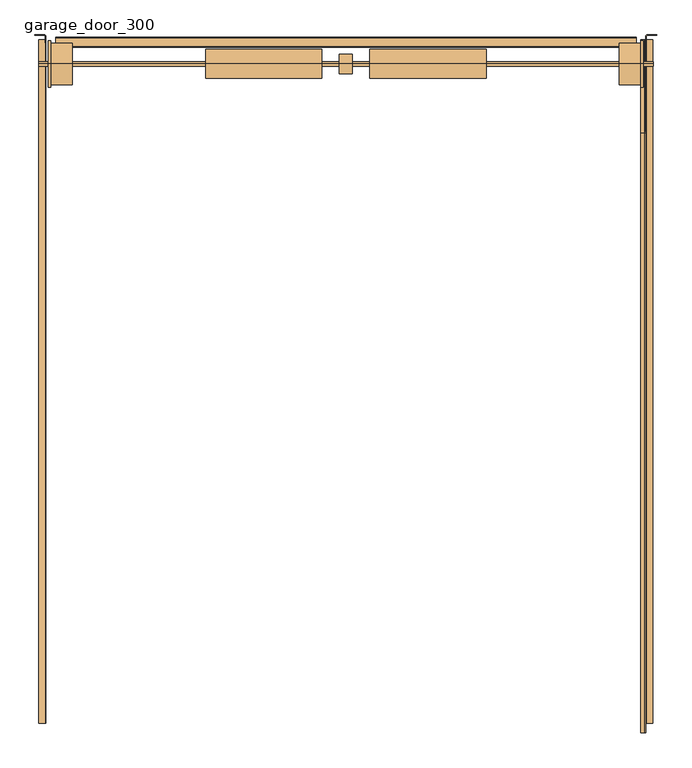
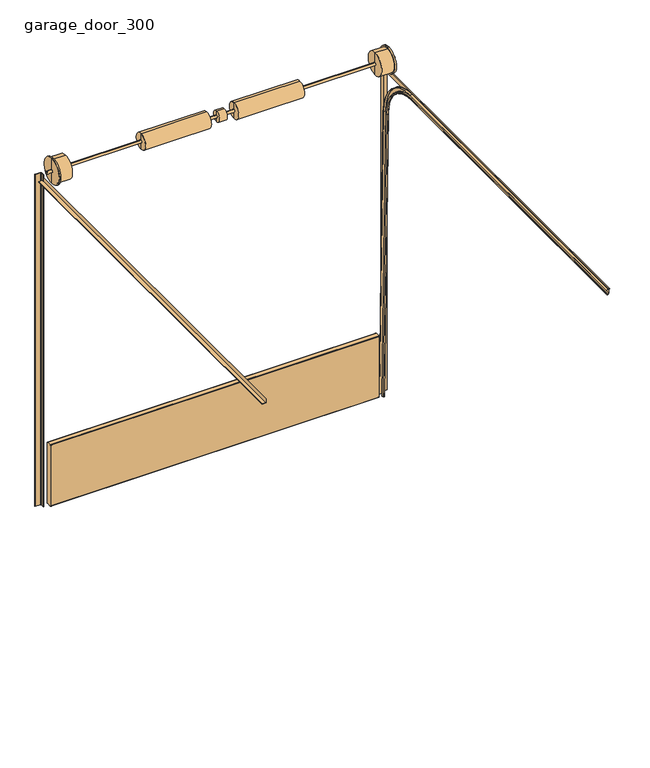
"""IFC4 building model written with IfcOpenShell, lengths in millimetres: door geometry, garage_door_300."""

from ifc_helpers import new_model, si_unit, point, frame, frame_2d, origin, origin_with_axes, place, context, project, spatial, polyline, circle_curve, ellipse_curve, trimmed, segment, composite_curve, outline, extrude, source, transform, mapped, element, save
from ifc_brep_helpers import plane_surface, cylinder_surface, revolved_surface, advanced_brep


def garage_door_300_ee631df7(model_context):
    return source(origin(), model_context, "Body", "SolidModel", [
        extrude(outline(composite_curve([segment(polyline([(-305.3393461, 600.0), (-260.8564999, 600.0)]), True, "CONTINUOUS"), segment(trimmed(circle_curve(frame_2d((-260.8564999, 596.8435001)), 3.1564999), [point((-260.8564999, 600.0))], [point((-257.7, 596.8435001))], False, "CARTESIAN"), True, "CONTINUOUS"), segment(polyline([(-257.7, 596.8435001), (-257.7, 520.0326682), (-258.4701339, 518.8467659)]), True, "CONTINUOUS"), segment(trimmed(circle_curve(frame_2d((-257.192, 518.016736)), 1.524), [point((-258.4701339, 518.8467659))], [point((-258.716, 518.016736))], True, "CARTESIAN"), True, "CONTINUOUS"), segment(polyline([(-258.716, 518.016736), (-258.716, 515.583264)]), True, "CONTINUOUS"), segment(trimmed(circle_curve(frame_2d((-257.192, 515.583264)), 1.524), [point((-258.716, 515.583264))], [point((-258.4701339, 514.7532341))], True, "CARTESIAN"), True, "CONTINUOUS"), segment(polyline([(-258.4701339, 514.7532341), (-257.7, 513.5673318), (-257.7, 381.6326682), (-258.4701339, 380.4467659)]), True, "CONTINUOUS"), segment(trimmed(circle_curve(frame_2d((-257.192, 379.616736)), 1.524), [point((-258.4701339, 380.4467659))], [point((-258.716, 379.616736))], True, "CARTESIAN"), True, "CONTINUOUS"), segment(polyline([(-258.716, 379.616736), (-258.716, 377.183264)]), True, "CONTINUOUS"), segment(trimmed(circle_curve(frame_2d((-257.192, 377.183264)), 1.524), [point((-258.716, 377.183264))], [point((-258.4701339, 376.3532341))], True, "CARTESIAN"), True, "CONTINUOUS"), segment(polyline([(-258.4701339, 376.3532341), (-257.7, 375.1673318), (-257.7, 243.2326682), (-258.4701339, 242.0467659)]), True, "CONTINUOUS"), segment(trimmed(circle_curve(frame_2d((-257.192, 241.216736)), 1.524), [point((-258.4701339, 242.0467659))], [point((-258.716, 241.216736))], True, "CARTESIAN"), True, "CONTINUOUS"), segment(polyline([(-258.716, 241.216736), (-258.716, 238.783264)]), True, "CONTINUOUS"), segment(trimmed(circle_curve(frame_2d((-257.192, 238.783264)), 1.524), [point((-258.716, 238.783264))], [point((-258.4701339, 237.9532341))], True, "CARTESIAN"), True, "CONTINUOUS"), segment(polyline([(-258.4701339, 237.9532341), (-257.7, 236.7673318), (-257.7, 104.8326682), (-258.4701339, 103.6467659)]), True, "CONTINUOUS"), segment(trimmed(circle_curve(frame_2d((-257.192, 102.816736)), 1.524), [point((-258.4701339, 103.6467659))], [point((-258.716, 102.816736))], True, "CARTESIAN"), True, "CONTINUOUS"), segment(polyline([(-258.716, 102.816736), (-258.716, 100.383264)]), True, "CONTINUOUS"), segment(trimmed(circle_curve(frame_2d((-257.192, 100.383264)), 1.524), [point((-258.716, 100.383264))], [point((-258.4701339, 99.5532341))], True, "CARTESIAN"), True, "CONTINUOUS"), segment(polyline([(-258.4701339, 99.5532341), (-257.7, 98.3673318), (-257.7, 3.1564999)]), True, "CONTINUOUS"), segment(trimmed(circle_curve(frame_2d((-260.8564999, 3.1564999)), 3.1564999), [point((-257.7, 3.1564999))], [point((-260.8564999, 0.0))], False, "CARTESIAN"), True, "CONTINUOUS"), segment(polyline([(-260.8564999, 0.0), (-305.3393461, 0.0)]), True, "CONTINUOUS"), segment(trimmed(circle_curve(frame_2d((-305.3393461, 3.1606539)), 3.1606539), [point((-305.3393461, 0.0))], [point((-308.5, 3.1606539))], False, "CARTESIAN"), True, "CONTINUOUS"), segment(polyline([(-308.5, 3.1606539), (-308.5, 596.8393461)]), True, "CONTINUOUS"), segment(trimmed(circle_curve(frame_2d((-305.3393461, 596.8393461)), 3.1606539), [point((-308.5, 596.8393461))], [point((-305.3393461, 600.0))], False, "CARTESIAN"), True, "CONTINUOUS")], self_intersect=False)), frame((-1525.4, 0.0, 0.0), z_axis=(1.0, 0.0, 0.0), x_axis=(0.0, 1.0, 0.0)), (0.0, 0.0, 1.0), 3050.8),
        advanced_brep(
        [(-35.19874, -397.4, 3304.8), (-35.19874, -397.4, 3406.4), (-35.19874, -397.4, 3368.3), (-35.19874, -397.4, 3342.9), (34.65126, -397.4, 3304.8), (34.65126, -397.4, 3406.4), (34.65126, -397.4, 3342.9), (34.65126, -397.4, 3368.3), (127.0, -397.4, 3342.9), (127.0, -397.4, 3368.3), (127.0, -397.4, 3279.4), (127.0, -397.4, 3431.8), (736.6, -397.4, 3279.4), (736.6, -397.4, 3431.8), (736.6, -397.4, 3342.9), (736.6, -397.4, 3368.3), (1436.5, -397.4, 3342.9), (1436.5, -397.4, 3368.3), (1436.5, -397.4, 3246.2271079), (1436.5, -397.4, 3464.9728921), (1563.5, -397.4, 3342.9), (1563.5, -397.4, 3368.3), (1563.5, -397.4, 3477.6728921), (1563.5, -397.4, 3233.5271079), (-1563.5, -397.4, 3233.5271079), (-1563.5, -397.4, 3477.6728921), (-1563.5, -397.4, 3368.3), (-1563.5, -397.4, 3342.9), (-1436.5, -397.4, 3246.2271079), (-1436.5, -397.4, 3464.9728921), (-1550.8, -397.4, 3464.9728921), (-1550.8, -397.4, 3246.2271079), (-1436.5, -397.4, 3342.9), (-1436.5, -397.4, 3368.3), (-736.6, -397.4, 3342.9), (-736.6, -397.4, 3368.3), (-736.6, -397.4, 3279.4), (-736.6, -397.4, 3431.8), (-127.0, -397.4, 3279.4), (-127.0, -397.4, 3431.8), (-127.0, -397.4, 3342.9), (-127.0, -397.4, 3368.3), (1550.8, -397.4, 3246.2271079), (1550.8, -397.4, 3464.9728921), (1550.8, -397.4, 3477.6728921), (1550.8, -397.4, 3233.5271079), (-1550.8, -397.4, 3233.5271079), (-1550.8, -397.4, 3477.6728921), (1614.3, -397.4, 3342.9), (1614.3, -397.4, 3368.3), (1614.3, -397.4, 3355.6), (-1614.3, -397.4, 3342.9), (-1614.3, -397.4, 3368.3), (-1614.3, -397.4, 3355.6)],
        [
            (0, 1, circle_curve(frame((-35.19874, -397.4, 3355.6), z_axis=(-1.0, 0.0, 0.0), x_axis=(0.0, 0.0, 1.0)), 50.8)),
            (1, 2),
            (2, 3, circle_curve(frame((-35.19874, -397.4, 3355.6), z_axis=(1.0, 0.0, 0.0), x_axis=(0.0, 0.0, 1.0)), 12.7)),
            (3, 0),
            (1, 0, circle_curve(frame((-35.19874, -397.4, 3355.6), z_axis=(-1.0, 0.0, 0.0), x_axis=(0.0, 0.0, 1.0)), 50.8)),
            (3, 2, circle_curve(frame((-35.19874, -397.4, 3355.6), z_axis=(1.0, 0.0, 0.0), x_axis=(0.0, 0.0, 1.0)), 12.7)),
            (4, 5, circle_curve(frame((34.65126, -397.4, 3355.6), z_axis=(-1.0, 0.0, 0.0), x_axis=(0.0, 0.0, 1.0)), 50.8)),
            (5, 1),
            (0, 4),
            (5, 4, circle_curve(frame((34.65126, -397.4, 3355.6), z_axis=(-1.0, 0.0, 0.0), x_axis=(0.0, 0.0, 1.0)), 50.8)),
            (6, 7, circle_curve(frame((34.65126, -397.4, 3355.6), z_axis=(-1.0, 0.0, 0.0), x_axis=(0.0, 0.0, 1.0)), 12.7)),
            (7, 5),
            (4, 6),
            (7, 6, circle_curve(frame((34.65126, -397.4, 3355.6), z_axis=(-1.0, 0.0, 0.0), x_axis=(0.0, 0.0, 1.0)), 12.7)),
            (8, 9, circle_curve(frame((127.0, -397.4, 3355.6), z_axis=(-1.0, 0.0, 0.0), x_axis=(0.0, 0.0, 1.0)), 12.7)),
            (9, 7),
            (6, 8),
            (9, 8, circle_curve(frame((127.0, -397.4, 3355.6), z_axis=(-1.0, 0.0, 0.0), x_axis=(0.0, 0.0, 1.0)), 12.7)),
            (10, 11, circle_curve(frame((127.0, -397.4, 3355.6), z_axis=(-1.0, 0.0, 0.0), x_axis=(0.0, 0.0, 1.0)), 76.2)),
            (11, 9),
            (8, 10),
            (11, 10, circle_curve(frame((127.0, -397.4, 3355.6), z_axis=(-1.0, 0.0, 0.0), x_axis=(0.0, 0.0, 1.0)), 76.2)),
            (12, 13, circle_curve(frame((736.6, -397.4, 3355.6), z_axis=(-1.0, 0.0, 0.0), x_axis=(0.0, 0.0, 1.0)), 76.2)),
            (13, 11),
            (10, 12),
            (13, 12, circle_curve(frame((736.6, -397.4, 3355.6), z_axis=(-1.0, 0.0, 0.0), x_axis=(0.0, 0.0, 1.0)), 76.2)),
            (14, 15, circle_curve(frame((736.6, -397.4, 3355.6), z_axis=(-1.0, 0.0, 0.0), x_axis=(0.0, 0.0, 1.0)), 12.7)),
            (15, 13),
            (12, 14),
            (15, 14, circle_curve(frame((736.6, -397.4, 3355.6), z_axis=(-1.0, 0.0, 0.0), x_axis=(0.0, 0.0, 1.0)), 12.7)),
            (16, 17, circle_curve(frame((1436.5, -397.4, 3355.6), z_axis=(-1.0, 0.0, 0.0), x_axis=(0.0, 0.0, 1.0)), 12.7)),
            (17, 15),
            (14, 16),
            (17, 16, circle_curve(frame((1436.5, -397.4, 3355.6), z_axis=(-1.0, 0.0, 0.0), x_axis=(0.0, 0.0, 1.0)), 12.7)),
            (18, 19, circle_curve(frame((1436.5, -397.4, 3355.6), z_axis=(-1.0, 0.0, 0.0), x_axis=(0.0, 0.0, 1.0)), 109.3728921)),
            (19, 17),
            (16, 18),
            (19, 18, circle_curve(frame((1436.5, -397.4, 3355.6), z_axis=(-1.0, 0.0, 0.0), x_axis=(0.0, 0.0, 1.0)), 109.3728921)),
            (20, 21, circle_curve(frame((1563.5, -397.4, 3355.6), z_axis=(-1.0, 0.0, 0.0), x_axis=(0.0, 0.0, 1.0)), 12.7)),
            (21, 22),
            (22, 23, circle_curve(frame((1563.5, -397.4, 3355.6), z_axis=(1.0, 0.0, 0.0), x_axis=(0.0, 0.0, 1.0)), 122.0728921)),
            (23, 20),
            (21, 20, circle_curve(frame((1563.5, -397.4, 3355.6), z_axis=(-1.0, 0.0, 0.0), x_axis=(0.0, 0.0, 1.0)), 12.7)),
            (23, 22, circle_curve(frame((1563.5, -397.4, 3355.6), z_axis=(1.0, 0.0, 0.0), x_axis=(0.0, 0.0, 1.0)), 122.0728921)),
            (24, 25, circle_curve(frame((-1563.5, -397.4, 3355.6), z_axis=(-1.0, 0.0, 0.0), x_axis=(0.0, 0.0, 1.0)), 122.0728921)),
            (25, 26),
            (26, 27, circle_curve(frame((-1563.5, -397.4, 3355.6), z_axis=(1.0, 0.0, 0.0), x_axis=(0.0, 0.0, 1.0)), 12.7)),
            (27, 24),
            (25, 24, circle_curve(frame((-1563.5, -397.4, 3355.6), z_axis=(-1.0, 0.0, 0.0), x_axis=(0.0, 0.0, 1.0)), 122.0728921)),
            (27, 26, circle_curve(frame((-1563.5, -397.4, 3355.6), z_axis=(1.0, 0.0, 0.0), x_axis=(0.0, 0.0, 1.0)), 12.7)),
            (28, 29, circle_curve(frame((-1436.5, -397.4, 3355.6), z_axis=(-1.0, 0.0, 0.0), x_axis=(0.0, 0.0, 1.0)), 109.3728921)),
            (29, 30),
            (30, 31, circle_curve(frame((-1550.8, -397.4, 3355.6), z_axis=(1.0, 0.0, 0.0), x_axis=(0.0, 0.0, 1.0)), 109.3728921)),
            (31, 28),
            (29, 28, circle_curve(frame((-1436.5, -397.4, 3355.6), z_axis=(-1.0, 0.0, 0.0), x_axis=(0.0, 0.0, 1.0)), 109.3728921)),
            (31, 30, circle_curve(frame((-1550.8, -397.4, 3355.6), z_axis=(1.0, 0.0, 0.0), x_axis=(0.0, 0.0, 1.0)), 109.3728921)),
            (32, 33, circle_curve(frame((-1436.5, -397.4, 3355.6), z_axis=(-1.0, 0.0, 0.0), x_axis=(0.0, 0.0, 1.0)), 12.7)),
            (33, 29),
            (28, 32),
            (33, 32, circle_curve(frame((-1436.5, -397.4, 3355.6), z_axis=(-1.0, 0.0, 0.0), x_axis=(0.0, 0.0, 1.0)), 12.7)),
            (34, 35, circle_curve(frame((-736.6, -397.4, 3355.6), z_axis=(-1.0, 0.0, 0.0), x_axis=(0.0, 0.0, 1.0)), 12.7)),
            (35, 33),
            (32, 34),
            (35, 34, circle_curve(frame((-736.6, -397.4, 3355.6), z_axis=(-1.0, 0.0, 0.0), x_axis=(0.0, 0.0, 1.0)), 12.7)),
            (36, 37, circle_curve(frame((-736.6, -397.4, 3355.6), z_axis=(-1.0, 0.0, 0.0), x_axis=(0.0, 0.0, 1.0)), 76.2)),
            (37, 35),
            (34, 36),
            (37, 36, circle_curve(frame((-736.6, -397.4, 3355.6), z_axis=(-1.0, 0.0, 0.0), x_axis=(0.0, 0.0, 1.0)), 76.2)),
            (38, 39, circle_curve(frame((-127.0, -397.4, 3355.6), z_axis=(-1.0, 0.0, 0.0), x_axis=(0.0, 0.0, 1.0)), 76.2)),
            (39, 37),
            (36, 38),
            (39, 38, circle_curve(frame((-127.0, -397.4, 3355.6), z_axis=(-1.0, 0.0, 0.0), x_axis=(0.0, 0.0, 1.0)), 76.2)),
            (40, 41, circle_curve(frame((-127.0, -397.4, 3355.6), z_axis=(-1.0, 0.0, 0.0), x_axis=(0.0, 0.0, 1.0)), 12.7)),
            (41, 39),
            (38, 40),
            (41, 40, circle_curve(frame((-127.0, -397.4, 3355.6), z_axis=(-1.0, 0.0, 0.0), x_axis=(0.0, 0.0, 1.0)), 12.7)),
            (2, 41),
            (40, 3),
            (42, 43, circle_curve(frame((1550.8, -397.4, 3355.6), z_axis=(-1.0, 0.0, 0.0), x_axis=(0.0, 0.0, 1.0)), 109.3728921)),
            (43, 19),
            (18, 42),
            (43, 42, circle_curve(frame((1550.8, -397.4, 3355.6), z_axis=(-1.0, 0.0, 0.0), x_axis=(0.0, 0.0, 1.0)), 109.3728921)),
            (22, 44),
            (44, 45, circle_curve(frame((1550.8, -397.4, 3355.6), z_axis=(1.0, 0.0, 0.0), x_axis=(0.0, 0.0, 1.0)), 122.0728921)),
            (45, 23),
            (45, 44, circle_curve(frame((1550.8, -397.4, 3355.6), z_axis=(1.0, 0.0, 0.0), x_axis=(0.0, 0.0, 1.0)), 122.0728921)),
            (46, 47, circle_curve(frame((-1550.8, -397.4, 3355.6), z_axis=(-1.0, 0.0, 0.0), x_axis=(0.0, 0.0, 1.0)), 122.0728921)),
            (47, 25),
            (24, 46),
            (47, 46, circle_curve(frame((-1550.8, -397.4, 3355.6), z_axis=(-1.0, 0.0, 0.0), x_axis=(0.0, 0.0, 1.0)), 122.0728921)),
            (48, 49, circle_curve(frame((1614.3, -397.4, 3355.6), z_axis=(-1.0, 0.0, 0.0), x_axis=(0.0, 0.0, 1.0)), 12.7)),
            (49, 21),
            (20, 48),
            (49, 48, circle_curve(frame((1614.3, -397.4, 3355.6), z_axis=(-1.0, 0.0, 0.0), x_axis=(0.0, 0.0, 1.0)), 12.7)),
            (50, 49),
            (48, 50),
            (51, 52, circle_curve(frame((-1614.3, -397.4, 3355.6), z_axis=(-1.0, 0.0, 0.0), x_axis=(0.0, 0.0, 1.0)), 12.7)),
            (52, 53),
            (53, 51),
            (52, 51, circle_curve(frame((-1614.3, -397.4, 3355.6), z_axis=(-1.0, 0.0, 0.0), x_axis=(0.0, 0.0, 1.0)), 12.7)),
            (26, 52),
            (51, 27),
            (44, 43),
            (42, 45),
            (30, 47),
            (46, 31),
        ],
        [
            plane_surface(frame((-35.19874, -397.4, 3355.6), z_axis=(-1.0, 0.0, 0.0), x_axis=(0.0, 0.0, 1.0))),
            cylinder_surface(frame((432.2517045, -397.4, 3355.6), z_axis=(1.0, 0.0, 0.0), x_axis=(0.0, 0.0, 1.0)), 50.8),
            plane_surface(frame((34.65126, -397.4, 3355.6), z_axis=(1.0, 0.0, 0.0), x_axis=(0.0, 0.0, 1.0))),
            cylinder_surface(frame((432.2517045, -397.4, 3355.6), z_axis=(1.0, 0.0, 0.0), x_axis=(0.0, 0.0, 1.0)), 12.7),
            plane_surface(frame((127.0, -397.4, 3355.6), z_axis=(-1.0, 0.0, 0.0), x_axis=(0.0, 0.0, 1.0))),
            cylinder_surface(frame((432.2517045, -397.4, 3355.6), z_axis=(1.0, 0.0, 0.0), x_axis=(0.0, 0.0, 1.0)), 76.2),
            plane_surface(frame((736.6, -397.4, 3355.6), z_axis=(1.0, 0.0, 0.0), x_axis=(0.0, 0.0, 1.0))),
            plane_surface(frame((1436.5, -397.4, 3355.6), z_axis=(-1.0, 0.0, 0.0), x_axis=(0.0, 0.0, 1.0))),
            plane_surface(frame((1563.5, -397.4, 3355.6), z_axis=(1.0, 0.0, 0.0), x_axis=(0.0, 0.0, 1.0))),
            plane_surface(frame((-1563.5, -397.4, 3355.6), z_axis=(-1.0, 0.0, 0.0), x_axis=(0.0, 0.0, 1.0))),
            cylinder_surface(frame((432.2517045, -397.4, 3355.6), z_axis=(1.0, 0.0, 0.0), x_axis=(0.0, 0.0, 1.0)), 109.3728921),
            plane_surface(frame((-1436.5, -397.4, 3355.6), z_axis=(1.0, 0.0, 0.0), x_axis=(0.0, 0.0, 1.0))),
            plane_surface(frame((-736.6, -397.4, 3355.6), z_axis=(-1.0, 0.0, 0.0), x_axis=(0.0, 0.0, 1.0))),
            plane_surface(frame((-127.0, -397.4, 3355.6), z_axis=(1.0, 0.0, 0.0), x_axis=(0.0, 0.0, 1.0))),
            cylinder_surface(frame((432.2517045, -397.4, 3355.6), z_axis=(1.0, 0.0, 0.0), x_axis=(0.0, 0.0, 1.0)), 122.0728921),
            plane_surface(frame((1614.3, -397.4, 3355.6), z_axis=(1.0, 0.0, 0.0), x_axis=(0.0, 0.0, 1.0))),
            plane_surface(frame((-1614.3, -397.4, 3355.6), z_axis=(-1.0, 0.0, 0.0), x_axis=(0.0, 0.0, 1.0))),
            plane_surface(frame((1550.8, -397.4, 3355.6), z_axis=(-1.0, 0.0, 0.0), x_axis=(0.0, 0.0, 1.0))),
            plane_surface(frame((-1550.8, -397.4, 3355.6), z_axis=(1.0, 0.0, 0.0), x_axis=(0.0, 0.0, 1.0))),
        ],
        [
            (0, [[1, 2, 3, 4]]),
            (0, [[5, -4, 6, -2]]),
            (1, [[7, 8, -1, 9]]),
            (1, [[10, -9, -5, -8]]),
            (2, [[11, 12, -7, 13]]),
            (2, [[14, -13, -10, -12]]),
            (3, [[15, 16, -11, 17]]),
            (3, [[18, -17, -14, -16]]),
            (4, [[19, 20, -15, 21]]),
            (4, [[22, -21, -18, -20]]),
            (5, [[23, 24, -19, 25]]),
            (5, [[26, -25, -22, -24]]),
            (6, [[27, 28, -23, 29]]),
            (6, [[30, -29, -26, -28]]),
            (3, [[31, 32, -27, 33]]),
            (3, [[34, -33, -30, -32]]),
            (7, [[35, 36, -31, 37]]),
            (7, [[38, -37, -34, -36]]),
            (8, [[39, 40, 41, 42]]),
            (8, [[43, -42, 44, -40]]),
            (9, [[45, 46, 47, 48]]),
            (9, [[49, -48, 50, -46]]),
            (10, [[51, 52, 53, 54]]),
            (10, [[55, -54, 56, -52]]),
            (11, [[57, 58, -51, 59]]),
            (11, [[60, -59, -55, -58]]),
            (3, [[61, 62, -57, 63]]),
            (3, [[64, -63, -60, -62]]),
            (12, [[65, 66, -61, 67]]),
            (12, [[68, -67, -64, -66]]),
            (5, [[69, 70, -65, 71]]),
            (5, [[72, -71, -68, -70]]),
            (13, [[73, 74, -69, 75]]),
            (13, [[76, -75, -72, -74]]),
            (3, [[-3, 77, -73, 78]]),
            (3, [[-6, -78, -76, -77]]),
            (10, [[79, 80, -35, 81]]),
            (10, [[82, -81, -38, -80]]),
            (14, [[-41, 83, 84, 85]]),
            (14, [[-44, -85, 86, -83]]),
            (14, [[87, 88, -45, 89]]),
            (14, [[90, -89, -49, -88]]),
            (3, [[91, 92, -39, 93]]),
            (3, [[94, -93, -43, -92]]),
            (15, [[95, -91, 96]]),
            (15, [[-96, -94, -95]]),
            (16, [[97, 98, 99]]),
            (16, [[100, -99, -98]]),
            (3, [[-47, 101, -97, 102]]),
            (3, [[-50, -102, -100, -101]]),
            (17, [[-84, 103, -79, 104]]),
            (17, [[-86, -104, -82, -103]]),
            (18, [[-53, 105, -87, 106]]),
            (18, [[-56, -106, -90, -105]]),
        ],
    ),
        extrude(outline(composite_curve([segment(trimmed(circle_curve(frame_2d((1583.4604191, -252.7684191)), 7.7684191), [point((1575.692, -252.7684191))], [point((1583.4604191, -245.0))], False, "CARTESIAN"), True, "CONTINUOUS"), segment(polyline([(1583.4604191, -245.0), (1633.604, -245.0), (1633.604, -247.54), (1583.4348858, -247.54)]), True, "CONTINUOUS"), segment(trimmed(circle_curve(frame_2d((1583.4348858, -252.7428858)), 5.2028858), [point((1583.4348858, -247.54))], [point((1578.232, -252.7428858))], True, "CARTESIAN"), True, "CONTINUOUS"), segment(polyline([(1578.232, -252.7428858), (1578.232, -286.402), (1575.692, -286.402), (1575.692, -252.7684191)]), True, "CONTINUOUS")], self_intersect=False)), origin_with_axes(), (0.0, 0.0, 1.0), 3254.0),
        extrude(outline(composite_curve([segment(polyline([(-1575.692, -252.7684191), (-1575.692, -286.402), (-1578.232, -286.402), (-1578.232, -252.7428858)]), True, "CONTINUOUS"), segment(trimmed(circle_curve(frame_2d((-1583.4348858, -252.7428858)), 5.2028858), [point((-1578.232, -252.7428858))], [point((-1583.4348858, -247.54))], True, "CARTESIAN"), True, "CONTINUOUS"), segment(polyline([(-1583.4348858, -247.54), (-1633.604, -247.54), (-1633.604, -245.0), (-1583.4604191, -245.0)]), True, "CONTINUOUS"), segment(trimmed(circle_curve(frame_2d((-1583.4604191, -252.7684191)), 7.7684191), [point((-1583.4604191, -245.0))], [point((-1575.692, -252.7684191))], False, "CARTESIAN"), True, "CONTINUOUS")], self_intersect=False)), origin_with_axes(), (0.0, 0.0, 1.0), 3254.0),
        extrude(outline(polyline([(3187.4071438, 1575.692), (3187.4071438, 1613.792), (3189.9471438, 1613.792), (3189.9471438, 1578.232), (3225.5071438, 1578.232), (3225.5071438, 1575.692), (3187.4071438, 1575.692)])), frame((0.0, -3862.0666667, 0.0), z_axis=(0.0, 1.0, 0.0), x_axis=(0.0, 0.0, 1.0)), (0.0, 0.0, 1.0), 3591.6666667),
        extrude(outline(polyline([(3187.4071438, -1575.692), (3225.5071438, -1575.692), (3225.5071438, -1577.7511917), (3189.9471438, -1577.7511917), (3189.9471438, -1613.792), (3187.4071438, -1613.792), (3187.4071438, -1575.692)])), frame((0.0, -3862.0666667, 0.0), z_axis=(0.0, 1.0, 0.0), x_axis=(0.0, 0.0, 1.0)), (0.0, 0.0, 1.0), 3591.6666667),
        advanced_brep(
        [(1550.8, -3912.8666667, 3227.9304625), (1571.7804, -3912.8666667, 3227.9304625), (1574.2037187, -3912.8666667, 3225.5071438), (1574.2037187, -3912.8666667, 3194.5162317), (1573.9320214, -3912.8666667, 3193.2236111), (1569.4723467, -3912.8666667, 3183.0836829), (1558.1996956, -3912.8666667, 3182.2897599), (1553.6905094, -3912.8666667, 3189.5629539), (1552.4256, -3912.8666667, 3188.7787438), (1556.9347863, -3912.8666667, 3181.5055498), (1570.8346867, -3912.8666667, 3182.4845077), (1575.2943614, -3912.8666667, 3192.624436), (1575.692, -3912.8666667, 3194.5162317), (1575.692, -3912.8666667, 3225.5071438), (1571.7804, -3912.8666667, 3229.4187438), (1550.8, -3912.8666667, 3229.4187438), (1550.8, -760.4666667, 3227.9304625), (1571.7804, -760.4666667, 3227.9304625), (1574.2037187, -760.4666667, 3225.5071438), (1574.2037187, -331.8525296, 2805.7295403), (1574.2037187, -273.4200149, 0.993692), (1574.2037187, -304.4042036, 0.3481824), (1574.2037187, -362.8367184, 2805.0840307), (1574.2037187, -760.4666667, 3194.5162317), (1573.9320214, -760.4666667, 3193.2236111), (1569.4723467, -760.4666667, 3183.0836829), (1558.1996956, -760.4666667, 3182.2897599), (1553.6905094, -760.4666667, 3189.5629539), (1552.4256, -760.4666667, 3188.7787438), (1556.9347863, -760.4666667, 3181.5055498), (1570.8346867, -760.4666667, 3182.4845077), (1575.2943614, -760.4666667, 3192.624436), (1575.692, -760.4666667, 3194.5162317), (1575.692, -362.8367184, 2805.0840307), (1575.692, -304.4042036, 0.3481824), (1575.692, -273.4200149, 0.993692), (1575.692, -331.8525296, 2805.7295403), (1575.692, -760.4666667, 3225.5071438), (1571.7804, -760.4666667, 3229.4187438), (1550.8, -760.4666667, 3229.4187438), (1550.8, -327.9417783, 2805.811015), (1550.8, -269.5092635, 1.0751667), (1550.8, -270.9972219, 1.0441673), (1550.8, -329.4297366, 2805.7800156), (1571.7804, -329.4297366, 2805.7800156), (1573.9320214, -364.1290585, 2805.0571067), (1569.4723467, -374.2667869, 2804.8459021), (1558.1996956, -375.0605377, 2804.8293655), (1553.6905094, -367.7889216, 2804.9808589), (1552.4256, -368.5729615, 2804.9645246), (1556.9347863, -375.8445776, 2804.8130312), (1570.8346867, -374.8658321, 2804.8334219), (1575.2943614, -364.7281037, 2805.0446265), (1571.7804, -327.9417783, 2805.811015), (1571.7804, -269.5092635, 1.0751667), (1575.2943614, -306.2955889, 0.3087782), (1570.8346867, -316.4333173, 0.0975736), (1556.9347863, -317.4120628, 0.0771829), (1552.4256, -310.1404467, 0.2286762), (1553.6905094, -309.3564068, 0.2450105), (1558.1996956, -316.6280229, 0.0935172), (1569.4723467, -315.8342721, 0.1100538), (1573.9320214, -305.6965437, 0.3212584), (1571.7804, -270.9972219, 1.0441673)],
        [
            (0, 1),
            (1, 2, circle_curve(frame((1571.7804, -3912.8666667, 3225.5071438), z_axis=(0.0, 1.0, 0.0), x_axis=(0.0, 0.0, 1.0)), 2.4233187)),
            (2, 3),
            (3, 4, circle_curve(frame((1570.993, -3912.8666667, 3194.5162317), z_axis=(0.0, 1.0, 0.0), x_axis=(0.0, 0.0, 1.0)), 3.2107188)),
            (4, 5),
            (5, 6, circle_curve(frame((1563.627, -3912.8666667, 3185.6545438), z_axis=(0.0, 1.0, 0.0), x_axis=(0.0, 0.0, 1.0)), 6.3857187)),
            (6, 7),
            (7, 8),
            (8, 9),
            (9, 10, circle_curve(frame((1563.627, -3912.8666667, 3185.6545438), z_axis=(0.0, -1.0, 0.0), x_axis=(0.0, 0.0, 1.0)), 7.874)),
            (10, 11),
            (11, 12, circle_curve(frame((1570.993, -3912.8666667, 3194.5162317), z_axis=(0.0, -1.0, 0.0), x_axis=(0.0, 0.0, 1.0)), 4.699)),
            (12, 13),
            (13, 14, circle_curve(frame((1571.7804, -3912.8666667, 3225.5071438), z_axis=(0.0, -1.0, 0.0), x_axis=(0.0, 0.0, 1.0)), 3.9116)),
            (14, 15),
            (15, 0),
            (0, 16),
            (16, 17),
            (17, 1),
            (17, 18, circle_curve(frame((1571.7804, -760.4666667, 3225.5071438), z_axis=(0.0, 1.0, 0.0), x_axis=(0.0, 0.0, 1.0)), 2.4233187)),
            (18, 2),
            (18, 19, circle_curve(frame((1574.2037187, -760.4666667, 2796.8), z_axis=(-1.0, 0.0, 0.0), x_axis=(0.0, 0.0, 1.0)), 428.7071438)),
            (19, 20),
            (20, 21),
            (21, 22),
            (22, 23, circle_curve(frame((1574.2037187, -760.4666667, 2796.8), z_axis=(1.0, 0.0, 0.0), x_axis=(0.0, 0.0, 1.0)), 397.7162317)),
            (23, 3),
            (23, 24, circle_curve(frame((1570.993, -760.4666667, 3194.5162317), z_axis=(0.0, 1.0, 0.0), x_axis=(0.0, 0.0, 1.0)), 3.2107188)),
            (24, 4),
            (24, 25),
            (25, 5),
            (25, 26, circle_curve(frame((1563.627, -760.4666667, 3185.6545438), z_axis=(0.0, 1.0, 0.0), x_axis=(0.0, 0.0, 1.0)), 6.3857187)),
            (26, 6),
            (26, 27),
            (27, 7),
            (27, 28),
            (28, 8),
            (28, 29),
            (29, 9),
            (29, 30, circle_curve(frame((1563.627, -760.4666667, 3185.6545438), z_axis=(0.0, -1.0, 0.0), x_axis=(0.0, 0.0, 1.0)), 7.874)),
            (30, 10),
            (30, 31),
            (31, 11),
            (31, 32, circle_curve(frame((1570.993, -760.4666667, 3194.5162317), z_axis=(0.0, -1.0, 0.0), x_axis=(0.0, 0.0, 1.0)), 4.699)),
            (32, 12),
            (32, 33, circle_curve(frame((1575.692, -760.4666667, 2796.8), z_axis=(-1.0, 0.0, 0.0), x_axis=(0.0, 0.0, 1.0)), 397.7162317)),
            (33, 34),
            (34, 35),
            (35, 36),
            (36, 37, circle_curve(frame((1575.692, -760.4666667, 2796.8), z_axis=(1.0, 0.0, 0.0), x_axis=(0.0, 0.0, 1.0)), 428.7071438)),
            (37, 13),
            (37, 38, circle_curve(frame((1571.7804, -760.4666667, 3225.5071438), z_axis=(0.0, -1.0, 0.0), x_axis=(0.0, 0.0, 1.0)), 3.9116)),
            (38, 14),
            (38, 39),
            (39, 15),
            (39, 40, circle_curve(frame((1550.8, -760.4666667, 2796.8), z_axis=(-1.0, 0.0, 0.0), x_axis=(0.0, 0.0, 1.0)), 432.6187438)),
            (40, 41),
            (41, 42),
            (42, 43),
            (43, 16, circle_curve(frame((1550.8, -760.4666667, 2796.8), z_axis=(1.0, 0.0, 0.0), x_axis=(0.0, 0.0, 1.0)), 431.1304625)),
            (44, 17, circle_curve(frame((1571.7804, -760.4666667, 2796.8), z_axis=(1.0, 0.0, 0.0), x_axis=(0.0, 0.0, 1.0)), 431.1304625)),
            (43, 44),
            (44, 19, circle_curve(frame((1571.7804, -331.8525296, 2805.7295403), z_axis=(0.0, 0.020828998228128323, -0.9997830528833807), x_axis=(0.0, 0.9997830528833807, 0.020828998228128323)), 2.4233188)),
            (45, 24, circle_curve(frame((1573.9320214, -760.4666667, 2796.8), z_axis=(1.0, 0.0, 0.0), x_axis=(0.0, 0.0, 1.0)), 396.4236111)),
            (22, 45, circle_curve(frame((1570.993, -362.8367184, 2805.0840307), z_axis=(0.0, 0.02082899822812788, -0.9997830528833807), x_axis=(0.0, 0.9997830528833807, 0.02082899822812788)), 3.2107187)),
            (46, 25, circle_curve(frame((1569.4723467, -760.4666667, 2796.8), z_axis=(1.0, 0.0, 0.0), x_axis=(0.0, 0.0, 1.0)), 386.2836829)),
            (45, 46),
            (47, 26, circle_curve(frame((1558.1996956, -760.4666667, 2796.8), z_axis=(1.0, 0.0, 0.0), x_axis=(0.0, 0.0, 1.0)), 385.4897599)),
            (46, 47, circle_curve(frame((1563.627, -371.6964837, 2804.8994506), z_axis=(0.0, 0.020828998228128545, -0.9997830528833807), x_axis=(0.0, 0.9997830528833807, 0.020828998228128545)), 6.3857188)),
            (48, 27, circle_curve(frame((1553.6905094, -760.4666667, 2796.8), z_axis=(1.0, 0.0, 0.0), x_axis=(0.0, 0.0, 1.0)), 392.7629539)),
            (47, 48),
            (49, 28, circle_curve(frame((1552.4256, -760.4666667, 2796.8), z_axis=(1.0, 0.0, 0.0), x_axis=(0.0, 0.0, 1.0)), 391.9787438)),
            (48, 49),
            (50, 29, circle_curve(frame((1556.9347863, -760.4666667, 2796.8), z_axis=(1.0, 0.0, 0.0), x_axis=(0.0, 0.0, 1.0)), 384.7055498)),
            (49, 50),
            (51, 30, circle_curve(frame((1570.8346867, -760.4666667, 2796.8), z_axis=(1.0, 0.0, 0.0), x_axis=(0.0, 0.0, 1.0)), 385.6845077)),
            (50, 51, circle_curve(frame((1563.627, -371.6964837, 2804.8994506), z_axis=(0.0, -0.020828998228128323, 0.9997830528833807), x_axis=(0.0, 0.9997830528833807, 0.020828998228128323)), 7.874)),
            (52, 31, circle_curve(frame((1575.2943614, -760.4666667, 2796.8), z_axis=(1.0, 0.0, 0.0), x_axis=(0.0, 0.0, 1.0)), 395.824436)),
            (51, 52),
            (52, 33, circle_curve(frame((1570.993, -362.8367184, 2805.0840307), z_axis=(0.0, -0.020828998228128323, 0.9997830528833807), x_axis=(0.0, 0.9997830528833807, 0.020828998228128323)), 4.699)),
            (53, 38, circle_curve(frame((1571.7804, -760.4666667, 2796.8), z_axis=(1.0, 0.0, 0.0), x_axis=(0.0, 0.0, 1.0)), 432.6187438)),
            (36, 53, circle_curve(frame((1571.7804, -331.8525296, 2805.7295403), z_axis=(0.0, -0.020828998228128767, 0.9997830528833807), x_axis=(0.0, 0.9997830528833807, 0.020828998228128767)), 3.9116)),
            (53, 40),
            (41, 54),
            (54, 35, circle_curve(frame((1571.7804, -273.4200149, 0.993692), z_axis=(0.0, 0.020828998228126627, -0.9997830528833807), x_axis=(0.0, 0.9997830528833807, 0.020828998228126627)), 3.9116)),
            (34, 55, circle_curve(frame((1570.993, -304.4042036, 0.3481824), z_axis=(0.0, 0.020828998228126627, -0.9997830528833807), x_axis=(0.0, 0.9997830528833807, 0.020828998228126627)), 4.699)),
            (55, 56),
            (56, 57, circle_curve(frame((1563.627, -313.263969, 0.1636023), z_axis=(0.0, 0.020828998228126627, -0.9997830528833807), x_axis=(0.0, 0.9997830528833807, 0.020828998228126627)), 7.874)),
            (57, 58),
            (58, 59),
            (59, 60),
            (60, 61, circle_curve(frame((1563.627, -313.263969, 0.1636023), z_axis=(0.0, -0.020828998228126627, 0.9997830528833807), x_axis=(0.0, 0.9997830528833807, 0.020828998228126627)), 6.3857187)),
            (61, 62),
            (62, 21, circle_curve(frame((1570.993, -304.4042036, 0.3481824), z_axis=(0.0, -0.020828998228126627, 0.9997830528833807), x_axis=(0.0, 0.9997830528833807, 0.020828998228126627)), 3.2107188)),
            (20, 63, circle_curve(frame((1571.7804, -273.4200149, 0.993692), z_axis=(0.0, -0.020828998228126627, 0.9997830528833807), x_axis=(0.0, 0.9997830528833807, 0.020828998228126627)), 2.4233188)),
            (63, 42),
            (63, 44),
            (62, 45),
            (61, 46),
            (60, 47),
            (59, 48),
            (58, 49),
            (57, 50),
            (56, 51),
            (55, 52),
            (54, 53),
        ],
        [
            plane_surface(frame((0.0, -3912.8666667, 3177.8), z_axis=(0.0, -1.0, 0.0), x_axis=(-1.0, 0.0, 0.0))),
            plane_surface(frame((1550.8, -3912.8666667, 3227.9304625), z_axis=(0.0, 0.0, -1.0), x_axis=(0.0, 1.0, 0.0))),
            revolved_surface(polyline([(1571.7804, -760.4666667000001, 3227.9304626), (1571.7804, -3912.8666667, 3227.9304626)]), (1571.7804, -3912.8666667, 3225.5071438), (0.0, 1.0, 0.0)),
            plane_surface(frame((1574.2037187, -3912.8666667, 3225.5071438), z_axis=(-1.0, 0.0, 0.0), x_axis=(0.0, 1.0, 0.0))),
            revolved_surface(polyline([(1570.993, -760.4666667000001, 3197.7269504), (1570.993, -3912.8666667, 3197.7269504)]), (1570.993, -3912.8666667, 3194.5162317), (0.0, 1.0, 0.0)),
            plane_surface(frame((1573.9320214, -3912.8666667, 3193.2236111), z_axis=(-0.9153780402517602, 0.0, 0.4025953842567585), x_axis=(0.0, 1.0, 0.0))),
            revolved_surface(polyline([(1563.627, -760.4666667000001, 3192.0402626), (1563.627, -3912.8666667, 3192.0402626)]), (1563.627, -3912.8666667, 3185.6545438), (0.0, 1.0, 0.0)),
            plane_surface(frame((1558.1996956, -3912.8666667, 3182.2897599), z_axis=(0.8499128454701337, 0.0, 0.5269232914807057), x_axis=(0.0, 1.0, 0.0))),
            plane_surface(frame((1553.6905094, -3912.8666667, 3189.5629539), z_axis=(-0.526923291480844, 0.0, 0.849912845470048), x_axis=(0.0, 1.0, 0.0))),
            plane_surface(frame((1552.4256, -3912.8666667, 3188.7787438), z_axis=(-0.8499128454701337, 0.0, -0.5269232914807057), x_axis=(0.0, 1.0, 0.0))),
            cylinder_surface(frame((1563.627, -3912.8666667, 3185.6545438), z_axis=(0.0, -1.0, 0.0), x_axis=(0.0, 0.0, 1.0)), 7.874),
            plane_surface(frame((1570.8346867, -3912.8666667, 3182.4845077), z_axis=(0.9153780402517675, 0.0, -0.40259538425674196), x_axis=(0.0, 1.0, 0.0))),
            cylinder_surface(frame((1570.993, -3912.8666667, 3194.5162317), z_axis=(0.0, -1.0, 0.0), x_axis=(0.0, 0.0, 1.0)), 4.699),
            plane_surface(frame((1575.692, -3912.8666667, 3194.5162317), z_axis=(1.0, 0.0, 0.0), x_axis=(0.0, 1.0, 0.0))),
            cylinder_surface(frame((1571.7804, -3912.8666667, 3225.5071438), z_axis=(0.0, -1.0, 0.0), x_axis=(0.0, 0.0, 1.0)), 3.9116),
            plane_surface(frame((1571.7804, -3912.8666667, 3229.4187438), z_axis=(0.0, 0.0, 1.0), x_axis=(0.0, 1.0, 0.0))),
            plane_surface(frame((1550.8, -3912.8666667, 3229.4187438), z_axis=(-1.0, 0.0, 0.0), x_axis=(0.0, 1.0, 0.0))),
            revolved_surface(polyline([(1550.8, -760.4666667, 3227.9304625000004), (1571.7804, -760.4666667, 3227.9304625000004)]), (0.0, -760.4666667, 2796.8), (-1.0, 0.0, 0.0)),
            revolved_surface(trimmed(ellipse_curve(frame((1571.7804, -760.4666667, 3225.5071438), z_axis=(0.0, 1.0, 0.0), x_axis=(0.0, 0.0, 1.0)), 2.4233188, 2.4233188), [point((1571.7804, -760.4666667, 3227.9304625))], [point((1574.2037187, -760.4666667, 3225.5071438))], True, "CARTESIAN"), (0.0, -760.4666667, 2796.8), (-1.0, 0.0, 0.0)),
            revolved_surface(trimmed(ellipse_curve(frame((1570.993, -760.4666667, 3194.5162317), z_axis=(0.0, 1.0, 0.0), x_axis=(0.0, 0.0, 1.0)), 3.2107187, 3.2107187), [point((1574.2037187, -760.4666667, 3194.5162317))], [point((1573.9320214, -760.4666667, 3193.2236111))], True, "CARTESIAN"), (0.0, -760.4666667, 2796.8), (-1.0, 0.0, 0.0)),
            revolved_surface(polyline([(1573.9320214, -760.4666667, 3193.2236111), (1569.4723467, -760.4666667, 3183.0836829)]), (0.0, -760.4666667, 2796.8), (-1.0, 0.0, 0.0)),
            revolved_surface(trimmed(ellipse_curve(frame((1563.627, -760.4666667, 3185.6545438), z_axis=(0.0, 1.0, 0.0), x_axis=(0.0, 0.0, 1.0)), 6.3857188, 6.3857188), [point((1569.4723467, -760.4666667, 3183.0836829))], [point((1558.1996956, -760.4666667, 3182.2897599))], True, "CARTESIAN"), (0.0, -760.4666667, 2796.8), (-1.0, 0.0, 0.0)),
            revolved_surface(polyline([(1558.1996956, -760.4666667, 3182.2897599), (1553.6905094, -760.4666667, 3189.5629539)]), (0.0, -760.4666667, 2796.8), (-1.0, 0.0, 0.0)),
            revolved_surface(polyline([(1553.6905094, -760.4666667, 3189.5629539), (1552.4256, -760.4666667, 3188.7787438)]), (0.0, -760.4666667, 2796.8), (-1.0, 0.0, 0.0)),
            revolved_surface(polyline([(1552.4256, -760.4666667, 3188.7787438), (1556.9347863, -760.4666667, 3181.5055498)]), (0.0, -760.4666667, 2796.8), (-1.0, 0.0, 0.0)),
            revolved_surface(trimmed(ellipse_curve(frame((1563.627, -760.4666667, 3185.6545438), z_axis=(0.0, -1.0, 0.0), x_axis=(0.0, 0.0, 1.0)), 7.874, 7.874), [point((1556.9347863, -760.4666667, 3181.5055498))], [point((1570.8346867, -760.4666667, 3182.4845077))], True, "CARTESIAN"), (0.0, -760.4666667, 2796.8), (-1.0, 0.0, 0.0)),
            revolved_surface(polyline([(1570.8346867, -760.4666667, 3182.4845077), (1575.2943614, -760.4666667, 3192.624436)]), (0.0, -760.4666667, 2796.8), (-1.0, 0.0, 0.0)),
            revolved_surface(trimmed(ellipse_curve(frame((1570.993, -760.4666667, 3194.5162317), z_axis=(0.0, -1.0, 0.0), x_axis=(0.0, 0.0, 1.0)), 4.699, 4.699), [point((1575.2943614, -760.4666667, 3192.624436))], [point((1575.692, -760.4666667, 3194.5162317))], True, "CARTESIAN"), (0.0, -760.4666667, 2796.8), (-1.0, 0.0, 0.0)),
            revolved_surface(trimmed(ellipse_curve(frame((1571.7804, -760.4666667, 3225.5071438), z_axis=(0.0, -1.0, 0.0), x_axis=(0.0, 0.0, 1.0)), 3.9116, 3.9116), [point((1575.692, -760.4666667, 3225.5071438))], [point((1571.7804, -760.4666667, 3229.4187438))], True, "CARTESIAN"), (0.0, -760.4666667, 2796.8), (-1.0, 0.0, 0.0)),
            cylinder_surface(frame((0.0, -760.4666667, 2796.8), z_axis=(-1.0, 0.0, 0.0), x_axis=(0.0, 0.0, 1.0)), 432.6187438),
            plane_surface(frame((0.0, -321.1168087, 0.0), z_axis=(0.0, 0.020828998228126647, -0.9997830528833807), x_axis=(-1.0, 0.0, 0.0))),
            plane_surface(frame((1550.8, -329.4297366, 2805.7800156), z_axis=(0.0, -0.9997830528833807, -0.020828998228126696), x_axis=(0.0, 0.020828998228126696, -0.9997830528833807))),
            revolved_surface(polyline([(1571.7804, -270.997221751826, 1.0441673030868515), (1571.7804, -329.4297365320263, 2805.780015602991)]), (1571.7804, -331.8525296, 2805.7295403), (0.0, 0.020828998228126627, -0.9997830528833807)),
            revolved_surface(polyline([(1570.993, -301.1941814757604, 0.415058444440092), (1570.993, -359.6266962561642, 2805.1509067541133)]), (1570.993, -362.8367184, 2805.0840307), (0.0, 0.020828998228126627, -0.9997830528833807)),
            plane_surface(frame((1573.9320214, -364.1290585, 2805.0571067), z_axis=(-0.9153780402517583, 0.4025080423489839, 0.008385658545336096), x_axis=(0.0, 0.020828998228126696, -0.9997830528833807))),
            revolved_surface(polyline([(1563.627, -306.8796354821953, 0.2966103831590772), (1563.627, -365.3121502632812, 2805.0324587255705)]), (1563.627, -371.6964837, 2804.8994506), (0.0, 0.020828998228126627, -0.9997830528833807)),
            plane_surface(frame((1558.1996956, -375.0605377, 2804.8293655), z_axis=(0.849912845470136, 0.5268089769919356, 0.010975284304610214), x_axis=(0.0, 0.02082899822812667, -0.9997830528833807))),
            plane_surface(frame((1553.6905094, -367.7889216, 2804.9808589), z_axis=(-0.52692329148084, 0.8497284593288479, 0.017702833152357666), x_axis=(0.0, 0.020828998228126602, -0.9997830528833807))),
            plane_surface(frame((1552.4256, -368.5729615, 2804.9645246), z_axis=(-0.849912845470136, -0.5268089769919356, -0.010975284304610283), x_axis=(0.0, 0.020828998228126647, -0.9997830528833807))),
            cylinder_surface(frame((1563.627, -371.6964837, 2804.8994506), z_axis=(0.0, -0.020828998228126627, 0.9997830528833807), x_axis=(0.0, 0.9997830528833807, 0.020828998228126627)), 7.874),
            plane_surface(frame((1570.8346867, -374.8658321, 2804.8334219), z_axis=(0.9153780402517656, -0.40250804234896737, -0.008385658545335732), x_axis=(0.0, 0.020828998228126647, -0.9997830528833807))),
            cylinder_surface(frame((1570.993, -362.8367184, 2805.0840307), z_axis=(0.0, -0.020828998228126627, 0.9997830528833807), x_axis=(0.0, 0.9997830528833807, 0.020828998228126627)), 4.699),
            cylinder_surface(frame((1571.7804, -331.8525296, 2805.7295403), z_axis=(0.0, -0.020828998228126627, 0.9997830528833807), x_axis=(0.0, 0.9997830528833807, 0.020828998228126627)), 3.9116),
            plane_surface(frame((1571.7804, -327.9417783, 2805.811015), z_axis=(0.0, 0.9997830528833807, 0.020828998228126647), x_axis=(0.0, 0.020828998228126647, -0.9997830528833807))),
        ],
        [
            (0, [[1, 2, 3, 4, 5, 6, 7, 8, 9, 10, 11, 12, 13, 14, 15, 16]]),
            (1, [[-1, 17, 18, 19]]),
            (2, [[-2, -19, 20, 21]]),
            (3, [[-3, -21, 22, 23, 24, 25, 26, 27]]),
            (4, [[-4, -27, 28, 29]]),
            (5, [[-5, -29, 30, 31]]),
            (6, [[-6, -31, 32, 33]]),
            (7, [[-7, -33, 34, 35]]),
            (8, [[-8, -35, 36, 37]]),
            (9, [[-9, -37, 38, 39]]),
            (10, [[-10, -39, 40, 41]]),
            (11, [[-11, -41, 42, 43]]),
            (12, [[-12, -43, 44, 45]]),
            (13, [[-13, -45, 46, 47, 48, 49, 50, 51]]),
            (14, [[-14, -51, 52, 53]]),
            (15, [[-15, -53, 54, 55]]),
            (16, [[-16, -55, 56, 57, 58, 59, 60, -17]]),
            (17, [[61, -18, -60, 62]]),
            (18, [[-22, -20, -61, 63]]),
            (19, [[64, -28, -26, 65]]),
            (20, [[66, -30, -64, 67]]),
            (21, [[68, -32, -66, 69]]),
            (22, [[70, -34, -68, 71]]),
            (23, [[72, -36, -70, 73]]),
            (24, [[74, -38, -72, 75]]),
            (25, [[76, -40, -74, 77]]),
            (26, [[78, -42, -76, 79]]),
            (27, [[-46, -44, -78, 80]]),
            (28, [[81, -52, -50, 82]]),
            (29, [[-56, -54, -81, 83]]),
            (30, [[-58, 84, 85, -48, 86, 87, 88, 89, 90, 91, 92, 93, 94, -24, 95, 96]]),
            (31, [[-62, -59, -96, 97]]),
            (32, [[-63, -97, -95, -23]]),
            (33, [[-65, -25, -94, 98]]),
            (34, [[-67, -98, -93, 99]]),
            (35, [[-69, -99, -92, 100]]),
            (36, [[-71, -100, -91, 101]]),
            (37, [[-73, -101, -90, 102]]),
            (38, [[-75, -102, -89, 103]]),
            (39, [[-77, -103, -88, 104]]),
            (40, [[-79, -104, -87, 105]]),
            (41, [[-80, -105, -86, -47]]),
            (42, [[-82, -49, -85, 106]]),
            (43, [[-83, -106, -84, -57]]),
        ],
    ),
    ])


if __name__ == "__main__":
    model = new_model("IFC4")
    model_context = context("Model", 3, world=origin())
    ifc_project = project(units=[si_unit("LENGTHUNIT", "METRE", prefix="MILLI")], contexts=[model_context])
    site = spatial("IfcSite", under=ifc_project)
    building = spatial("IfcBuilding", under=site)
    placement = place(None, origin())
    garage_door_300_shape = garage_door_300_ee631df7(model_context)
    element("IfcDoor", 1, ObjectType="garage_door_300", at=placement, inside=building, context=model_context, shape_type="MappedRepresentation", body=[
        mapped(garage_door_300_shape, transform((0.0, 0.0, 0.0), x_axis=(1.0, 0.0, 0.0), y_axis=(0.0, 1.0, 0.0), z_axis=(0.0, 0.0, 1.0))),
    ])
    save(model, "model.ifc")
